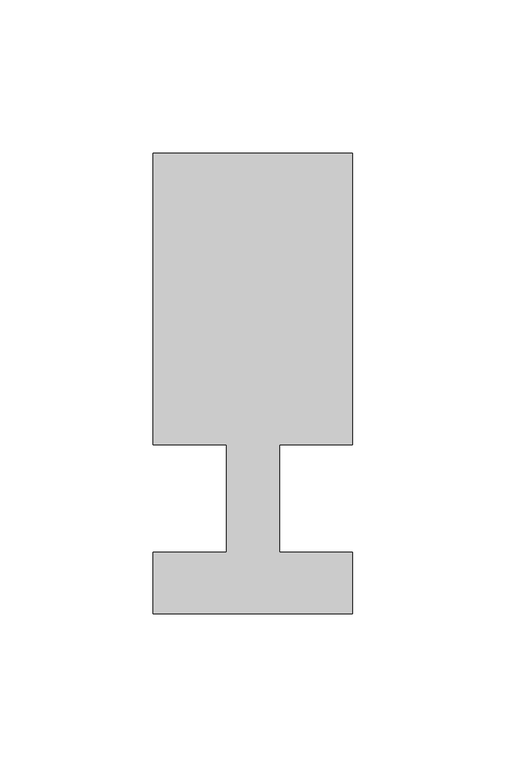
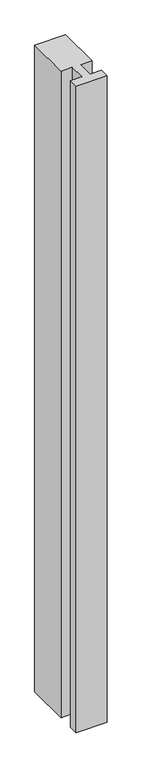
"""IFC4 building model written with IfcOpenShell, lengths in millimetres: member geometry."""

import ifcopenshell
import ifcopenshell.guid

model = None  # the IFC model being written
_history = None  # IfcOwnerHistory: only IFC2X3 demands one
_inside = {}  # id of a spatial element -> (the spatial element, [elements in it])
_under = {}  # id of a project, library or spatial element -> (it, [spatial elements below it])
_declared = {}  # id of a project -> (the project, [libraries it declares])
_typed = {}  # id of a type object -> (the type object, [elements of that type])
_made_of = {}  # id of a material, layer set ... -> (it, [elements and type objects made of it])


def new_model(schema):
    """Start an empty IFC model of exactly this schema.

    Asked for "IFC4X3", IfcOpenShell would pick the latest addendum, in which some entities
    have other attributes; the version numbers below select the first issue.
    IFC2X3 requires an IfcOwnerHistory on every rooted entity: one is made here for all.
    """
    global model, _history
    if schema == "IFC4X3":
        model = ifcopenshell.file(schema_version=(4, 3, 0, 0))
    else:
        model = ifcopenshell.file(schema=schema)
    _inside.clear()
    _under.clear()
    _declared.clear()
    _typed.clear()
    _made_of.clear()
    _history = None
    if model.schema == "IFC2X3":
        org = make("IfcOrganization", Name="unknown")
        user = make(
            "IfcPersonAndOrganization",
            ThePerson=make("IfcPerson", FamilyName="unknown"),
            TheOrganization=org,
        )
        app = make(
            "IfcApplication",
            ApplicationDeveloper=org,
            Version="unknown",
            ApplicationFullName="unknown",
            ApplicationIdentifier="unknown",
        )
        _history = make(
            "IfcOwnerHistory",
            OwningUser=user,
            OwningApplication=app,
            ChangeAction="ADDED",
            CreationDate=0,
        )
    return model


def make(cls, **values):
    """One entity of the class cls with the attributes given. An attribute that is None is left unset."""
    return model.create_entity(
        cls, **{name: value for name, value in values.items() if value is not None}
    )


def rooted(cls, **values):
    """An entity with a GlobalId (a new one), such as an element, a storey or a relation."""
    return make(cls, GlobalId=ifcopenshell.guid.new(), OwnerHistory=_history, **values)


def si_unit(unit_type, name, prefix=None):
    """IfcSIUnit, for example si_unit("LENGTHUNIT", "METRE", prefix="MILLI")."""
    return make("IfcSIUnit", UnitType=unit_type, Prefix=prefix, Name=name)


def assignment(units):
    """IfcUnitAssignment: the units of a project."""
    return None if units is None else make("IfcUnitAssignment", Units=units)


def point(xyz):
    """IfcCartesianPoint."""
    return None if xyz is None else make("IfcCartesianPoint", Coordinates=xyz)


def direction(xyz):
    """IfcDirection."""
    return None if xyz is None else make("IfcDirection", DirectionRatios=xyz)


def frame(location, z_axis=None, x_axis=None):
    """IfcAxis2Placement3D, a coordinate frame: its origin and axes. An axis left out is left unset."""
    return make(
        "IfcAxis2Placement3D",
        Location=point(location),
        Axis=direction(z_axis),
        RefDirection=direction(x_axis),
    )


def origin():
    """The frame at (0, 0, 0) with its axes left unset."""
    return frame((0.0, 0.0, 0.0))


def place(relative_to, where):
    """IfcLocalPlacement: puts the frame where relative to a parent placement (None: the world)."""
    return make(
        "IfcLocalPlacement", PlacementRelTo=relative_to, RelativePlacement=where
    )


def context(
    kind, dimensions, precision=None, world=None, true_north=None, identifier=None
):
    """IfcGeometricRepresentationContext, for example the 3D "Model" context."""
    return make(
        "IfcGeometricRepresentationContext",
        ContextIdentifier=identifier,
        ContextType=kind,
        CoordinateSpaceDimension=dimensions,
        Precision=precision,
        WorldCoordinateSystem=world,
        TrueNorth=true_north,
    )


def project(units=None, contexts=None):
    """IfcProject with its units and contexts."""
    return rooted(
        "IfcProject",
        Name="project",
        RepresentationContexts=contexts,
        UnitsInContext=assignment(units),
    )


def spatial(cls, under=None, at=None, **own):
    """A site, building, storey or space (cls), placed at a placement, below another one or the project."""
    s = rooted(cls, ObjectPlacement=at, **own)
    if under is not None:
        _under.setdefault(under.id(), (under, []))[1].append(s)
    return s


def polyline(points):
    """IfcPolyline through the points."""
    return make("IfcPolyline", Points=[point(p) for p in points])


def outline(outer, holes=None, kind="AREA"):
    """IfcArbitraryClosedProfileDef: a profile drawn as a closed curve; with holes, ...WithVoids."""
    if holes is None:
        return make("IfcArbitraryClosedProfileDef", ProfileType=kind, OuterCurve=outer)
    return make(
        "IfcArbitraryProfileDefWithVoids",
        ProfileType=kind,
        OuterCurve=outer,
        InnerCurves=holes,
    )


def extrude(swept, where, along, depth):
    """IfcExtrudedAreaSolid: the profile swept, set in the frame where, extruded along a direction by depth."""
    return make(
        "IfcExtrudedAreaSolid",
        SweptArea=swept,
        Position=where,
        ExtrudedDirection=direction(along),
        Depth=depth,
    )


def shape(context_of_items, identifier, shape_type, items):
    """IfcShapeRepresentation: the items that make up one representation, for example the "Body"."""
    return make(
        "IfcShapeRepresentation",
        ContextOfItems=context_of_items,
        RepresentationIdentifier=identifier,
        RepresentationType=shape_type,
        Items=items,
    )


def source(mapping_origin, context_of_items, identifier, shape_type, items):
    """IfcRepresentationMap: a shape defined once, which mapped items show again and again."""
    return make(
        "IfcRepresentationMap",
        MappingOrigin=mapping_origin,
        MappedRepresentation=shape(context_of_items, identifier, shape_type, items),
    )


def transform(
    local_origin,
    x_axis=None,
    y_axis=None,
    z_axis=None,
    scale=None,
    scale2=None,
    scale3=None,
    uniform=True,
):
    """IfcCartesianTransformationOperator3D, or its non-uniform kind. x_axis, y_axis, z_axis: its Axis1, 2, 3."""
    if uniform:
        return make(
            "IfcCartesianTransformationOperator3D",
            Axis1=direction(x_axis),
            Axis2=direction(y_axis),
            LocalOrigin=point(local_origin),
            Scale=scale,
            Axis3=direction(z_axis),
        )
    return make(
        "IfcCartesianTransformationOperator3DnonUniform",
        Axis1=direction(x_axis),
        Axis2=direction(y_axis),
        LocalOrigin=point(local_origin),
        Scale=scale,
        Axis3=direction(z_axis),
        Scale2=scale2,
        Scale3=scale3,
    )


def mapped(mapping_source, mapping_target):
    """IfcMappedItem: shows the shape of a source again, moved by a transform."""
    return make(
        "IfcMappedItem", MappingSource=mapping_source, MappingTarget=mapping_target
    )


def made_of(thing, what):
    """Note that an element or type object is made of a material, layer set ...; save() writes the relation."""
    if what is not None:
        _made_of.setdefault(what.id(), (what, []))[1].append(thing)
    return thing


def element(
    cls,
    number,
    at=None,
    inside=None,
    cuts=None,
    type_object=None,
    material=None,
    context=None,
    identifier="Body",
    shape_type=None,
    held_by="IfcProductDefinitionShape",
    body=None,
    shapes=None,
    **own,
):
    """One element of the class cls, such as IfcWall. Its Tag is "e" and its number.

    at: its placement. inside: the storey or other place that contains it. cuts: it is an
    opening in that element (IfcRelVoidsElement). A single representation is given by context,
    identifier, shape_type and body (its items); several are given by shapes. held_by: the class
    of the entity that holds the representations. save() writes the other relations.
    """
    e = rooted(cls, Tag="e%d" % number, ObjectPlacement=at, **own)
    if body is not None:
        shapes = [shape(context, identifier, shape_type, body)]
    if shapes is not None:
        e.Representation = make(held_by, Representations=shapes)
    if inside is not None:
        _inside.setdefault(inside.id(), (inside, []))[1].append(e)
    if cuts is not None:
        rooted(
            "IfcRelVoidsElement", RelatingBuildingElement=cuts, RelatedOpeningElement=e
        )
    if type_object is not None:
        _typed.setdefault(type_object.id(), (type_object, []))[1].append(e)
    return made_of(e, material)


def aggregate(whole, parts):
    """IfcRelAggregates: a whole, such as a stair, and the parts it consists of."""
    return rooted("IfcRelAggregates", RelatingObject=whole, RelatedObjects=parts)


def save(model, path):
    """Write the relations noted so far, then the file.

    IfcRelAggregates (storeys below a building ...), IfcRelContainedInSpatialStructure (elements
    in a storey), IfcRelDefinesByType, IfcRelAssociatesMaterial and IfcRelDeclares: one each for
    every whole, place, type object, material and project.
    """
    for whole, parts in _under.values():
        aggregate(whole, parts)
    for where, things in _inside.values():
        rooted(
            "IfcRelContainedInSpatialStructure",
            RelatedElements=things,
            RelatingStructure=where,
        )
    for kind, things in _typed.values():
        rooted("IfcRelDefinesByType", RelatedObjects=things, RelatingType=kind)
    for what, things in _made_of.values():
        rooted("IfcRelAssociatesMaterial", RelatedObjects=things, RelatingMaterial=what)
    for by, libraries in _declared.values():
        rooted("IfcRelDeclares", RelatingContext=by, RelatedDefinitions=libraries)
    model.write(path)


def member_c2cb61df(model_context):
    return source(origin(), model_context, "Body", "SweptSolid", [
        extrude(outline(polyline([(-32.5, -37.0), (-32.5, -17.0), (-8.6875, -17.0), (-8.6875, 18.0), (-32.5, 18.0), (-32.5, 113.0), (32.5, 113.0), (32.5, 18.0), (8.6875, 18.0), (8.6875, -17.0), (32.5, -17.0), (32.5, -37.0), (-32.5, -37.0)])), frame((0.0, 0.0, -1435.0), z_axis=(0.0, 0.0, 1.0), x_axis=(1.0, 0.0, 0.0)), (0.0, 0.0, 1.0), 1435.0),
    ])


if __name__ == "__main__":
    model = new_model("IFC4")
    model_context = context("Model", 3, world=origin())
    ifc_project = project(units=[si_unit("LENGTHUNIT", "METRE", prefix="MILLI")], contexts=[model_context])
    site = spatial("IfcSite", under=ifc_project)
    building = spatial("IfcBuilding", under=site)
    placement = place(None, origin())
    member_shape = member_c2cb61df(model_context)
    element("IfcMember", 1, at=placement, inside=building, context=model_context, shape_type="MappedRepresentation", body=[
        mapped(member_shape, transform((0.0, 0.0, 0.0), x_axis=(1.0, 0.0, 0.0), y_axis=(0.0, 1.0, 0.0), z_axis=(0.0, 0.0, 1.0))),
    ])
    save(model, "model.ifc")
